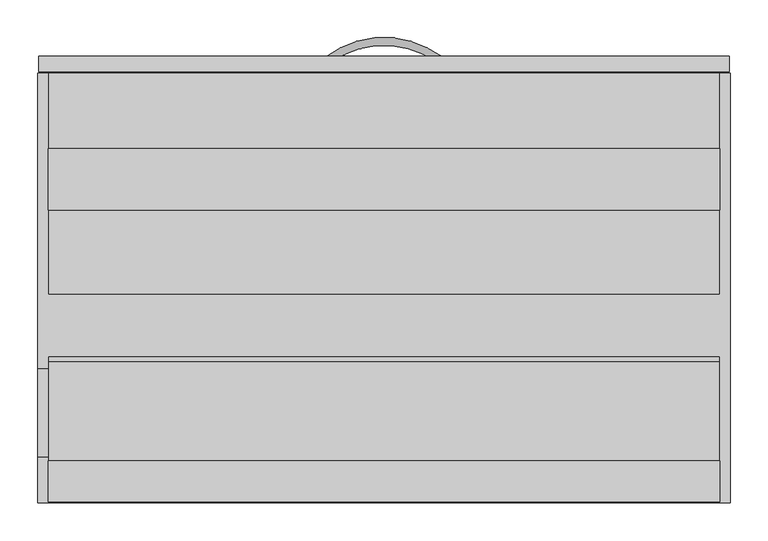
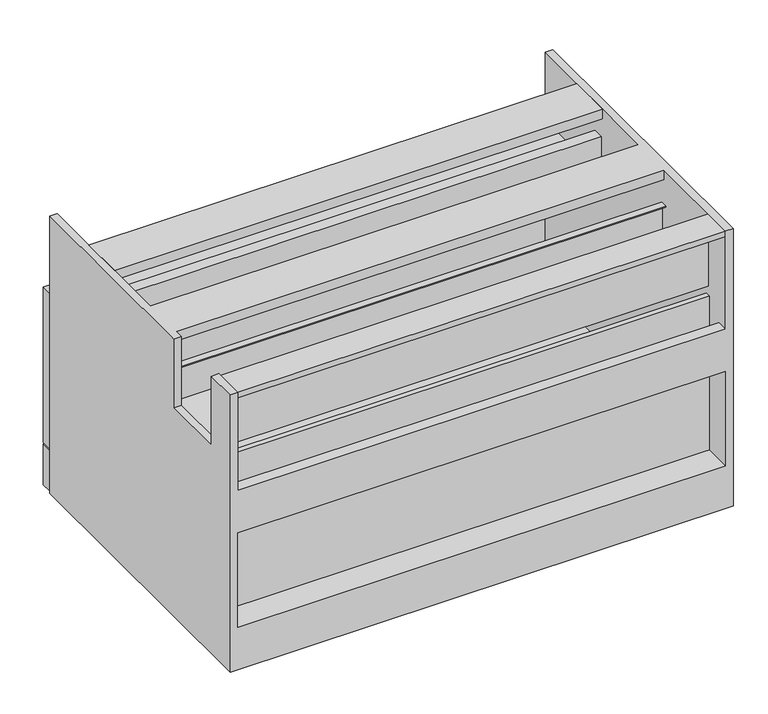
"""IFC4 building model written with IfcOpenShell, lengths in millimetres: furniture geometry."""

from ifc_helpers import new_model, si_unit, point, frame, frame_2d, origin, origin_with_axes, place, context, project, spatial, polyline, circle_curve, ellipse_curve, trimmed, segment, composite_curve, outline, extrude, faceted_brep, source, transform, mapped, element, save
from ifc_brep_helpers import plane_surface, revolved_surface, advanced_brep


def furniture_fe374b31(model_context):
    return source(origin(), model_context, "Body", "SolidModel", [
        extrude(outline(polyline([(884.1363219, -203.45654), (-2.6276215, -203.45654), (-2.6276215, -122.0754609), (884.1363219, -122.0754609), (884.1363219, -203.45654)])), frame((0.0, 0.0, 527.5326014), z_axis=(0.0, 0.0, 1.0), x_axis=(1.0, 0.0, 0.0)), (0.0, 0.0, 1.0), 18.5673986),
        advanced_brep(
        [(511.2455709, -9.0357884, 368.2790769), (517.3819579, -0.938236, 368.2790769), (369.5313148, -9.5942624, 368.2790769), (363.331297, -1.5453259, 368.2790769)],
        [
            (0, 1, circle_curve(frame((514.3137644, -4.9870122, 368.2790769), z_axis=(0.797003184649824, -0.6039751018527489, 0.0), x_axis=(0.6039751018527489, 0.797003184649824, 0.0)), 5.08)),
            (1, 0, circle_curve(frame((514.3137644, -4.9870122, 368.2790769), z_axis=(0.797003184649824, -0.6039751018527489, 0.0), x_axis=(0.6039751018527489, 0.797003184649824, 0.0)), 5.08)),
            (2, 3, circle_curve(frame((366.4313059, -5.5697942, 368.2790769), z_axis=(-0.7922181580746404, -0.6102379781829579, 0.0), x_axis=(-0.6102379781829579, 0.7922181580746404, 0.0)), 5.08)),
            (3, 2, circle_curve(frame((366.4313059, -5.5697942, 368.2790769), z_axis=(-0.7922181580746404, -0.6102379781829579, 0.0), x_axis=(-0.6102379781829579, 0.7922181580746404, 0.0)), 5.08)),
            (2, 0, circle_curve(frame((440.7539219, -102.056293, 368.2790769), z_axis=(0.0, 0.0, -1.0), x_axis=(0.6039751018527488, 0.7970031846498241, 0.0)), 116.7128393)),
            (1, 3, circle_curve(frame((440.7539219, -102.056293, 368.2790769), z_axis=(0.0, 0.0, 1.0), x_axis=(0.6039751018527488, 0.7970031846498241, 0.0)), 126.8728393)),
        ],
        [
            plane_surface(frame((514.3608606, -4.9248642, 670.1234375), z_axis=(0.7970031846498242, -0.6039751018527488, 0.0), x_axis=(0.0, 0.0, 1.0))),
            plane_surface(frame((366.3837214, -5.5080193, 670.1234375), z_axis=(-0.7922181580746404, -0.610237978182958, 0.0), x_axis=(0.0, 0.0, 1.0))),
            revolved_surface(trimmed(ellipse_curve(frame((514.3137644, -4.9870122, 368.2790769), z_axis=(-0.797003184649824, 0.6039751018527489, 0.0), x_axis=(0.6039751018527489, 0.797003184649824, 0.0)), 5.08, 5.08), [point((511.2455709, -9.0357884, 368.2790769))], [point((517.3819579, -0.938236, 368.2790769))], True, "CARTESIAN"), (440.7539219, -102.056293, 670.1234375), (0.0, 0.0, -1.0)),
            revolved_surface(trimmed(ellipse_curve(frame((514.3137644, -4.9870122, 368.2790769), z_axis=(-0.797003184649824, 0.6039751018527489, 0.0), x_axis=(0.6039751018527489, 0.797003184649824, 0.0)), 5.08, 5.08), [point((517.3819579, -0.938236, 368.2790769))], [point((511.2455709, -9.0357884, 368.2790769))], True, "CARTESIAN"), (440.7539219, -102.056293, 670.1234375), (0.0, 0.0, -1.0)),
        ],
        [
            (0, [[1, 2]]),
            (1, [[3, 4]]),
            (2, [[-3, 5, -2, 6]]),
            (3, [[-4, -6, -1, -5]]),
        ],
    ),
        extrude(outline(polyline([(896.4562901, 5.41e-05), (896.4562901, -20.1676), (-14.9477997, -20.1676), (-14.9477997, 5.41e-05), (896.4562901, 5.41e-05)])), frame((0.0, 0.0, 96.5962023), z_axis=(0.0, 0.0, 1.0), x_axis=(1.0, 0.0, 0.0)), (0.0, 0.0, 1.0), 298.8056075),
        extrude(outline(polyline([(-589.0244768, 534.6110937), (-589.0244768, 545.7108838), (-535.074876, 545.7108838), (-535.074876, 409.516072), (-392.1744647, 409.516072), (-392.1744647, 479.0612867), (-403.2996941, 479.0612867), (-403.2996941, 480.6360816), (-390.5996699, 480.6360816), (-390.5996699, 407.941272), (-536.6496941, 407.941272), (-536.6496941, 544.1360838), (-587.449682, 544.1360838), (-587.449682, 534.6110937), (-589.0244768, 534.6110937)])), frame((-2.6276215, 0.0, 0.0), z_axis=(1.0, 0.0, 0.0), x_axis=(0.0, 1.0, 0.0)), (0.0, 0.0, 1.0), 886.7639434),
        faceted_brep([(-2.6276215, -590.55, 546.1), (-2.6276215, -530.5501116, 546.1), (-16.4460781, -530.5501116, 546.1), (-16.4460781, -590.55, 546.1), (-16.4460781, -22.606, 546.1), (-16.4460781, -412.5501195, 546.1), (-2.6276215, -412.5501195, 546.1), (-2.6276215, -396.6134405, 546.1), (884.1363219, -396.6134405, 546.1), (884.1363219, -590.55, 546.1), (897.9539219, -590.55, 546.1), (897.9539219, -22.606, 546.1), (884.1363219, -22.606, 546.1), (884.1363219, -315.23178, 546.1), (-2.6276215, -315.23178, 546.1), (-2.6276215, -22.606, 546.1), (-16.4460781, -22.606, 12.7), (897.9539219, -22.606, 12.7), (897.9539219, -590.55, 12.7), (-16.4460781, -590.55, 12.7), (884.1363219, -590.55, 357.924846), (-2.6276215, -590.55, 357.924846), (884.1363219, -590.55, 276.5249817), (884.1363219, -590.55, 94.6988163), (-2.6276215, -590.55, 94.6988163), (-2.6276215, -590.55, 276.5249817), (-16.4460781, -530.5501116, 413.7659869), (-16.4460781, -412.5501195, 413.7659869), (-2.6276215, -22.606, 415.7014792), (884.1363219, -22.606, 415.7014792), (884.1363219, -22.606, 94.6988163), (884.1363219, -22.606, 395.4018099), (-2.6276215, -22.606, 395.4018099), (-2.6276215, -22.606, 94.6988163), (-2.6276215, -22.606, 73.5075998), (-2.6276215, -22.606, 32.8675902), (884.1363219, -22.606, 32.8675902), (884.1363219, -22.606, 73.5075998), (-2.6276215, -315.23178, 527.5326014), (-2.6276215, -396.6134405, 527.5326014), (-2.6276215, -412.5501195, 413.7659869), (-2.6276215, -530.5501116, 413.7659869), (-2.6276215, -570.4586043, 357.924846), (-2.6276215, -570.4586043, 276.5249817), (-2.6276215, -540.1234405, 94.6988163), (-2.6276215, -540.1234405, 390.8454182), (-2.6276215, -530.5501116, 390.8454182), (-2.6276215, -530.5501116, 94.6988163), (-2.6276215, -199.8979864, 395.4018099), (-2.6276215, -199.8979864, 491.4734652), (-2.6276215, -179.7303948, 491.4734652), (-2.6276215, -179.7303948, 415.7014792), (-2.6276215, -570.4586043, 73.5075998), (-2.6276215, -570.4586043, 32.8675902), (884.1363219, -179.7303948, 415.7014792), (884.1363219, -179.7303948, 491.4734652), (884.1363219, -199.8979864, 491.4734652), (884.1363219, -199.8979864, 395.4018099), (884.1363219, -530.5501116, 94.6988163), (884.1363219, -530.5501116, 390.8454182), (884.1363219, -540.1234405, 390.8454182), (884.1363219, -540.1234405, 94.6988163), (884.1363219, -570.4586043, 276.5249817), (884.1363219, -570.4586043, 357.924846), (884.1363219, -396.6134405, 527.5326014), (884.1363219, -315.23178, 527.5326014), (884.1363219, -570.4586043, 32.8675902), (884.1363219, -570.4586043, 73.5075998)], [[[0, 1, 2, 3]], [[4, 5, 6, 7, 8, 9, 10, 11, 12, 13, 14, 15]], [[16, 17, 18, 19]], [[3, 19, 18, 10, 9, 20, 21, 0], [22, 23, 24, 25]], [[19, 3, 2, 26, 27, 5, 4, 16]], [[15, 28, 29, 12, 11, 17, 16, 4], [30, 31, 32, 33], [34, 35, 36, 37]], [[14, 38, 39, 7, 6, 40, 41, 1, 0, 21, 42, 43, 25, 24, 44, 45, 46, 47, 33, 32, 48, 49, 50, 51, 28, 15]], [[34, 52, 53, 35]], [[12, 29, 54, 55, 56, 57, 31, 30, 58, 59, 60, 61, 23, 22, 62, 63, 20, 9, 8, 64, 65, 13]], [[36, 66, 67, 37]], [[10, 18, 17, 11]], [[63, 62, 43, 42]], [[62, 22, 25, 43]], [[42, 21, 20, 63]], [[23, 61, 44, 24]], [[61, 60, 45, 44]], [[60, 59, 46, 45]], [[59, 58, 47, 46]], [[58, 30, 33, 47]], [[37, 67, 52, 34]], [[67, 66, 53, 52]], [[66, 36, 35, 53]], [[13, 65, 38, 14]], [[65, 64, 39, 38]], [[64, 8, 7, 39]], [[55, 54, 51, 50]], [[54, 29, 28, 51]], [[31, 57, 48, 32]], [[57, 56, 49, 48]], [[50, 49, 56, 55]], [[40, 6, 5, 27]], [[27, 26, 41, 40]], [[26, 2, 1, 41]]]),
        faceted_brep([(896.4562901, 5.41e-05, 93.5990016), (896.4562901, 5.41e-05, 15.1892005), (-14.9477997, 5.41e-05, 15.1892005), (-14.9477997, 5.41e-05, 93.5990016), (896.4562901, -20.1673196, 93.5990016), (-14.9477997, -20.1673196, 93.5990016), (-14.9477997, -20.1673196, 15.1892005), (896.4562901, -20.1673196, 15.1892005)], [[[0, 1, 2, 3]], [[4, 5, 6, 7]], [[3, 5, 4, 0]], [[2, 6, 5, 3]], [[1, 7, 6, 2]], [[0, 4, 7, 1]]]),
        extrude(outline(composite_curve([segment(trimmed(circle_curve(frame_2d((19.0968082, -555.2063789)), 14.478), [point((4.6188082, -555.2063789))], [point((33.5748082, -555.2063789))], False, "CARTESIAN"), True, "CONTINUOUS"), segment(trimmed(circle_curve(frame_2d((19.0968082, -555.2063789)), 14.478), [point((33.5748082, -555.2063789))], [point((4.6188082, -555.2063789))], False, "CARTESIAN"), True, "CONTINUOUS")], self_intersect=False)), origin_with_axes(), (0.0, 0.0, 1.0), 12.7),
        extrude(outline(composite_curve([segment(trimmed(circle_curve(frame_2d((861.8419262, -555.2063789)), 14.478), [point((847.3639262, -555.2063789))], [point((876.3199262, -555.2063789))], False, "CARTESIAN"), True, "CONTINUOUS"), segment(trimmed(circle_curve(frame_2d((861.8419262, -555.2063789)), 14.478), [point((876.3199262, -555.2063789))], [point((847.3639262, -555.2063789))], False, "CARTESIAN"), True, "CONTINUOUS")], self_intersect=False)), origin_with_axes(), (0.0, 0.0, 1.0), 12.7),
        extrude(outline(composite_curve([segment(trimmed(circle_curve(frame_2d((19.0968082, -47.520502)), 14.478), [point((4.6188082, -47.520502))], [point((33.5748082, -47.520502))], False, "CARTESIAN"), True, "CONTINUOUS"), segment(trimmed(circle_curve(frame_2d((19.0968082, -47.520502)), 14.478), [point((33.5748082, -47.520502))], [point((4.6188082, -47.520502))], False, "CARTESIAN"), True, "CONTINUOUS")], self_intersect=False)), origin_with_axes(), (0.0, 0.0, 1.0), 12.7),
        extrude(outline(composite_curve([segment(trimmed(circle_curve(frame_2d((861.8419262, -47.520502)), 14.478), [point((847.3639262, -47.520502))], [point((876.3199262, -47.520502))], False, "CARTESIAN"), True, "CONTINUOUS"), segment(trimmed(circle_curve(frame_2d((861.8419262, -47.520502)), 14.478), [point((876.3199262, -47.520502))], [point((847.3639262, -47.520502))], False, "CARTESIAN"), True, "CONTINUOUS")], self_intersect=False)), origin_with_axes(), (0.0, 0.0, 1.0), 12.7),
    ])


if __name__ == "__main__":
    model = new_model("IFC4")
    model_context = context("Model", 3, world=origin())
    ifc_project = project(units=[si_unit("LENGTHUNIT", "METRE", prefix="MILLI")], contexts=[model_context])
    site = spatial("IfcSite", under=ifc_project)
    building = spatial("IfcBuilding", under=site)
    placement = place(None, origin())
    furniture_shape = furniture_fe374b31(model_context)
    element("IfcFurniture", 1, at=placement, inside=building, context=model_context, shape_type="MappedRepresentation", body=[
        mapped(furniture_shape, transform((0.0, 0.0, 0.0), x_axis=(1.0, 0.0, 0.0), y_axis=(0.0, 1.0, 0.0), z_axis=(0.0, 0.0, 1.0))),
    ])
    save(model, "model.ifc")
